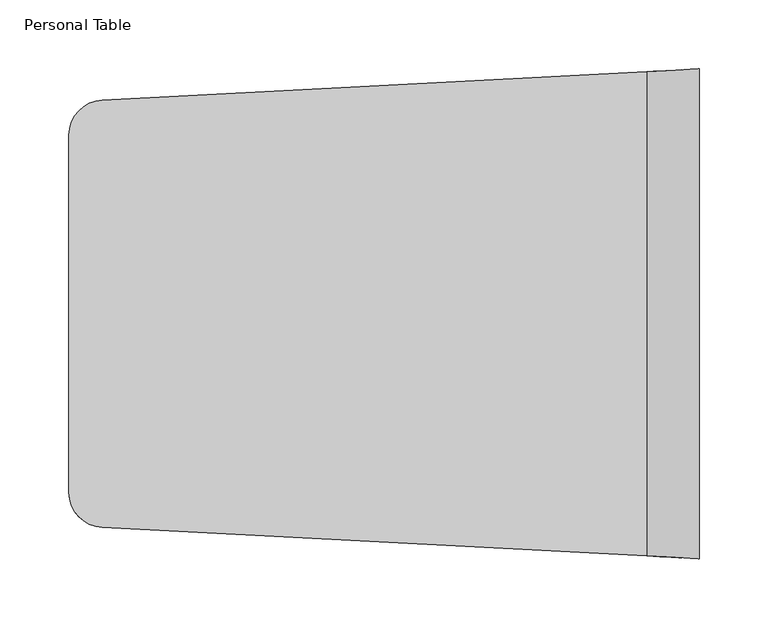
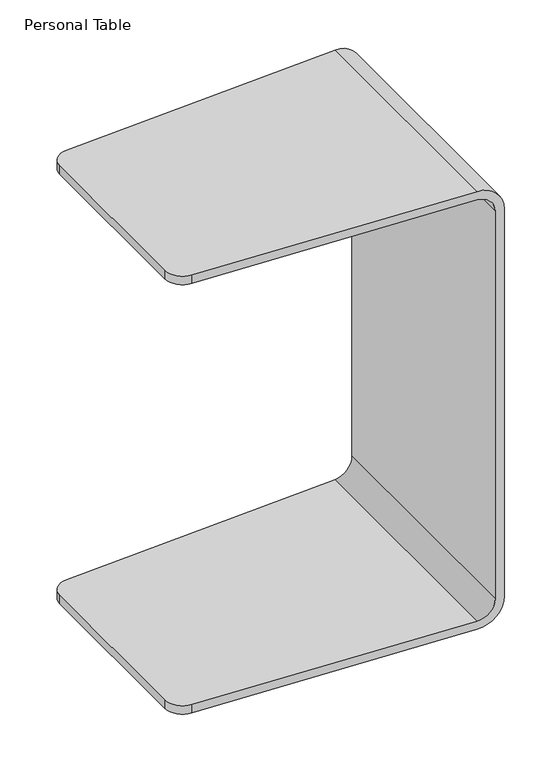
"""IFC4 building model written with IfcOpenShell, lengths in millimetres: furniture geometry, Personal Table."""

from ifc_helpers import new_model, si_unit, frame, origin, place, context, project, spatial, polyline, circle_curve, ellipse_curve, source, transform, mapped, element, save
from ifc_brep_helpers import plane_surface, cylinder_surface, revolved_surface, advanced_brep


def personal_table_3479621f(model_context):
    return source(origin(), model_context, "Body", "AdvancedBrep", [
        advanced_brep(
        [(419.1000121, 1.9967274, 647.7), (24.0706724, 22.6992484, 647.7), (0.0, 48.0644389, 647.7), (0.0, 307.535463, 647.7), (24.0706667, 332.9006532, 647.7), (419.1000121, 353.6032639, 647.7), (0.0, 48.0644389, 660.4), (0.0, 307.535463, 660.4), (24.0706724, 22.6992484, 660.4), (419.1000121, 1.9967274, 660.4), (419.1000121, 353.6032639, 660.4), (24.0706667, 332.9006532, 660.4), (457.2000121, 355.6000003, 622.3013602), (457.2000121, -3e-07, 622.3013602), (457.2000121, -3e-07, 38.0999704), (457.2000121, 355.6, 38.0999704), (419.0525574, 1.9992144, 0.0), (419.0525574, 353.6007769, 0.0), (24.0706724, 22.6992484, 0.0), (0.0, 48.0644389, 0.0), (0.0, 307.535463, 0.0), (24.0706667, 332.9006532, 0.0), (0.0, 48.0644389, 12.7), (0.0, 307.535463, 12.7), (24.0706724, 22.6992484, 12.7), (419.0612655, 1.9987581, 12.7), (419.0612655, 353.6012333, 12.7), (24.0706667, 332.9006532, 12.7), (444.5000121, 0.6655756, 38.0999704), (444.5000121, 354.9344215, 38.0999704), (444.5000121, 0.6655756, 622.3), (444.5000121, 354.9344215, 622.3)],
        [
            (0, 1),
            (1, 2, circle_curve(frame((25.4, 48.0644389, 647.7), z_axis=(0.0, 0.0, -1.0), x_axis=(0.0, -1.0, 0.0)), 25.4)),
            (2, 3),
            (3, 4, circle_curve(frame((25.4, 307.535463, 647.7), z_axis=(0.0, 0.0, -1.0), x_axis=(0.0, 1.0, 0.0)), 25.4)),
            (4, 5),
            (5, 0),
            (2, 6),
            (6, 7),
            (7, 3),
            (6, 8, circle_curve(frame((25.4, 48.0644389, 660.4), z_axis=(0.0, 0.0, 1.0), x_axis=(0.0, -1.0, 0.0)), 25.4)),
            (8, 9),
            (9, 10),
            (10, 11),
            (11, 7, circle_curve(frame((25.4, 307.535463, 660.4), z_axis=(0.0, 0.0, 1.0), x_axis=(0.0, 1.0, 0.0)), 25.4)),
            (12, 10, ellipse_curve(frame((419.1000121, 353.6032639, 622.3), z_axis=(0.0523359562429436, -0.9986295347545739, 0.0), x_axis=(-0.9986295347545739, -0.0523359562429424, 0.0)), 38.1522864, 38.1)),
            (9, 13, ellipse_curve(frame((419.1000121, 1.9967274, 622.3), z_axis=(0.05233573060715277, 0.9986295465796191, 0.0), x_axis=(0.9986295465796191, -0.05233573060714996, 0.0)), 38.1522859, 38.1)),
            (13, 12),
            (13, 14),
            (14, 15),
            (15, 12),
            (14, 16, ellipse_curve(frame((419.1000121, 1.9967274, 38.0999704), z_axis=(0.05233573060715277, 0.9986295465796191, 0.0), x_axis=(0.9986295465796191, -0.05233573060714996, 0.0)), 38.1522859, 38.1)),
            (16, 17),
            (17, 15, ellipse_curve(frame((419.1000121, 353.6032639, 38.0999704), z_axis=(0.0523359562429436, -0.9986295347545739, 0.0), x_axis=(-0.9986295347545739, -0.0523359562429424, 0.0)), 38.1522864, 38.1)),
            (16, 18),
            (18, 19, circle_curve(frame((25.4, 48.0644389, 0.0), z_axis=(0.0, 0.0, -1.0), x_axis=(0.0, -1.0, 0.0)), 25.4)),
            (19, 20),
            (20, 21, circle_curve(frame((25.4, 307.535463, 0.0), z_axis=(0.0, 0.0, -1.0), x_axis=(0.0, 1.0, 0.0)), 25.4)),
            (21, 17),
            (19, 22),
            (22, 23),
            (23, 20),
            (22, 24, circle_curve(frame((25.4, 48.0644389, 12.7), z_axis=(0.0, 0.0, 1.0), x_axis=(0.0, -1.0, 0.0)), 25.4)),
            (24, 25),
            (25, 26),
            (26, 27),
            (27, 23, circle_curve(frame((25.4, 307.535463, 12.7), z_axis=(0.0, 0.0, 1.0), x_axis=(0.0, 1.0, 0.0)), 25.4)),
            (25, 28, ellipse_curve(frame((419.1000121, 1.9967274, 38.0999704), z_axis=(-0.05233573060715277, -0.9986295465796191, 0.0), x_axis=(-0.9986295465796191, 0.05233573060714996, 0.0)), 25.4348573, 25.4)),
            (28, 29),
            (29, 26, ellipse_curve(frame((419.1000121, 353.6032639, 38.0999704), z_axis=(-0.0523359562429436, 0.9986295347545739, 0.0), x_axis=(0.9986295347545739, 0.0523359562429424, 0.0)), 25.4348576, 25.4)),
            (28, 30),
            (30, 31),
            (31, 29),
            (5, 31, ellipse_curve(frame((419.1000121, 353.6032639, 622.3), z_axis=(-0.0523359562429436, 0.9986295347545739, 0.0), x_axis=(0.9986295347545739, 0.0523359562429424, 0.0)), 25.4348576, 25.4)),
            (30, 0, ellipse_curve(frame((419.1000121, 1.9967274, 622.3), z_axis=(-0.05233573060715277, -0.9986295465796191, 0.0), x_axis=(-0.9986295465796191, 0.05233573060714996, 0.0)), 25.4348573, 25.4)),
            (24, 18),
            (8, 1),
            (21, 27),
            (4, 11),
        ],
        [
            plane_surface(frame((419.1000121, 0.0, 647.7), z_axis=(0.0, 0.0, -1.0), x_axis=(0.0, 1.0, 0.0))),
            plane_surface(frame((0.0, 0.0, 647.7), z_axis=(-1.0, 0.0, 0.0), x_axis=(0.0, 1.0, 0.0))),
            plane_surface(frame((0.0, 0.0, 660.4), z_axis=(0.0, 0.0, 1.0), x_axis=(0.0, 1.0, 0.0))),
            cylinder_surface(frame((419.1000121, 355.6, 622.3), z_axis=(0.0, -1.0, 0.0), x_axis=(0.0, 0.0, -1.0)), 38.1),
            plane_surface(frame((457.2000121, 0.0, 622.3), z_axis=(1.0, 0.0, 0.0), x_axis=(0.0, 1.0, 0.0))),
            cylinder_surface(frame((419.1000121, 355.6, 38.0999704), z_axis=(0.0, -1.0, 0.0), x_axis=(0.0, 0.0, 1.0)), 38.1),
            plane_surface(frame((419.0525574, 0.0, 0.0), z_axis=(0.0, 0.0, -1.0), x_axis=(0.0, 1.0, 0.0))),
            plane_surface(frame((0.0, 0.0, 0.0), z_axis=(-1.0, 0.0, 0.0), x_axis=(0.0, 1.0, 0.0))),
            plane_surface(frame((0.0, 0.0, 12.7), z_axis=(0.0, 0.0, 1.0), x_axis=(0.0, 1.0, 0.0))),
            revolved_surface(polyline([(419.1000121, 354.9344215, 63.499970399999995), (419.1000121, 0.665575560315915, 63.499970399999995)]), (419.1000121, 355.6, 38.0999704), (0.0, 1.0, 0.0)),
            plane_surface(frame((444.5000121, 0.0, 38.0999704), z_axis=(-1.0, 0.0, 0.0), x_axis=(0.0, 1.0, 0.0))),
            revolved_surface(polyline([(419.1000121, 354.9344215, 596.9), (419.1000121, 0.665575560315915, 596.9)]), (419.1000121, 355.6, 622.3), (0.0, 1.0, 0.0)),
            plane_surface(frame((24.0706724, 22.6992484, 660.4), z_axis=(-0.05233573060715277, -0.9986295465796191, 0.0), x_axis=(0.0, 0.0, -1.0))),
            plane_surface(frame((457.2000061, 355.6, 660.4), z_axis=(-0.0523359562429436, 0.9986295347545739, 0.0), x_axis=(0.0, 0.0, -1.0))),
            cylinder_surface(frame((25.4, 307.535463, 0.0), z_axis=(0.0, 0.0, -1.0), x_axis=(0.0, 1.0, 0.0)), 25.4),
            cylinder_surface(frame((25.4, 48.0644389, 0.0), z_axis=(0.0, 0.0, -1.0), x_axis=(0.0, -1.0, 0.0)), 25.4),
        ],
        [
            (0, [[1, 2, 3, 4, 5, 6]]),
            (1, [[7, 8, 9, -3]]),
            (2, [[10, 11, 12, 13, 14, -8]]),
            (3, [[15, -12, 16, 17]]),
            (4, [[18, 19, 20, -17]]),
            (5, [[21, 22, 23, -19]]),
            (6, [[24, 25, 26, 27, 28, -22]]),
            (7, [[29, 30, 31, -26]]),
            (8, [[32, 33, 34, 35, 36, -30]]),
            (9, [[37, 38, 39, -34]]),
            (10, [[40, 41, 42, -38]]),
            (11, [[43, -41, 44, -6]]),
            (12, [[-1, -44, -40, -37, -33, 45, -24, -21, -18, -16, -11, 46]]),
            (13, [[-13, -15, -20, -23, -28, 47, -35, -39, -42, -43, -5, 48]]),
            (14, [[-4, -9, -14, -48]]),
            (14, [[-27, -31, -36, -47]]),
            (15, [[-10, -7, -2, -46]]),
            (15, [[-32, -29, -25, -45]]),
        ],
    ),
    ])


if __name__ == "__main__":
    model = new_model("IFC4")
    model_context = context("Model", 3, world=origin())
    ifc_project = project(units=[si_unit("LENGTHUNIT", "METRE", prefix="MILLI")], contexts=[model_context])
    site = spatial("IfcSite", under=ifc_project)
    building = spatial("IfcBuilding", under=site)
    placement = place(None, origin())
    personal_table_shape = personal_table_3479621f(model_context)
    element("IfcFurniture", 1, ObjectType="Personal Table", at=placement, inside=building, context=model_context, shape_type="MappedRepresentation", body=[
        mapped(personal_table_shape, transform((0.0, 0.0, 0.0), x_axis=(1.0, 0.0, 0.0), y_axis=(0.0, 1.0, 0.0), z_axis=(0.0, 0.0, 1.0))),
    ])
    save(model, "model.ifc")
